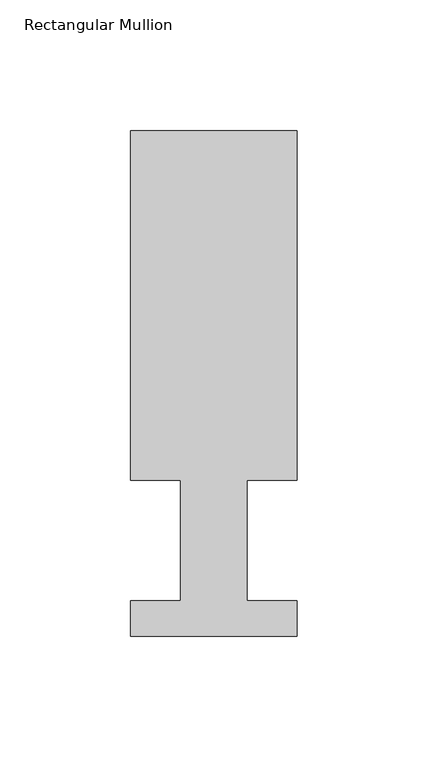
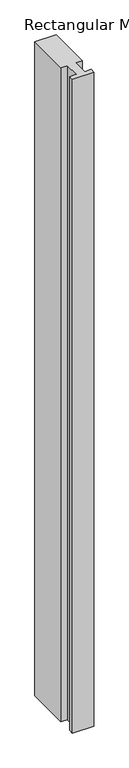
"""IFC4 building model written with IfcOpenShell, lengths in millimetres: member geometry, Rectangular Mullion."""

from ifc_helpers import new_model, si_unit, frame, origin, place, context, project, spatial, polyline, outline, extrude, source, transform, mapped, element, save


def rectangular_mullion_b6ec6f56(model_context):
    return source(origin(), model_context, "Body", "SweptSolid", [
        extrude(outline(polyline([(-31.75, 192.88125), (31.75, 192.88125), (31.75, 59.53125), (12.7, 59.53125), (12.7, 13.50645), (31.75, 13.50645), (31.75, 0.04445), (-31.75, 0.04445), (-31.75, 13.50645), (-12.7, 13.50645), (-12.7, 59.53125), (-31.75, 59.53125), (-31.75, 192.88125)])), frame((0.0, 0.0, -2057.4), z_axis=(0.0, 0.0, 1.0), x_axis=(1.0, 0.0, 0.0)), (0.0, 0.0, 1.0), 2057.4),
    ])


if __name__ == "__main__":
    model = new_model("IFC4")
    model_context = context("Model", 3, world=origin())
    ifc_project = project(units=[si_unit("LENGTHUNIT", "METRE", prefix="MILLI")], contexts=[model_context])
    site = spatial("IfcSite", under=ifc_project)
    building = spatial("IfcBuilding", under=site)
    placement = place(None, origin())
    rectangular_mullion_shape = rectangular_mullion_b6ec6f56(model_context)
    element("IfcMember", 1, ObjectType="Rectangular Mullion", at=placement, inside=building, context=model_context, shape_type="MappedRepresentation", body=[
        mapped(rectangular_mullion_shape, transform((0.0, 0.0, 0.0), x_axis=(1.0, 0.0, 0.0), y_axis=(0.0, 1.0, 0.0), z_axis=(0.0, 0.0, 1.0))),
    ])
    save(model, "model.ifc")
